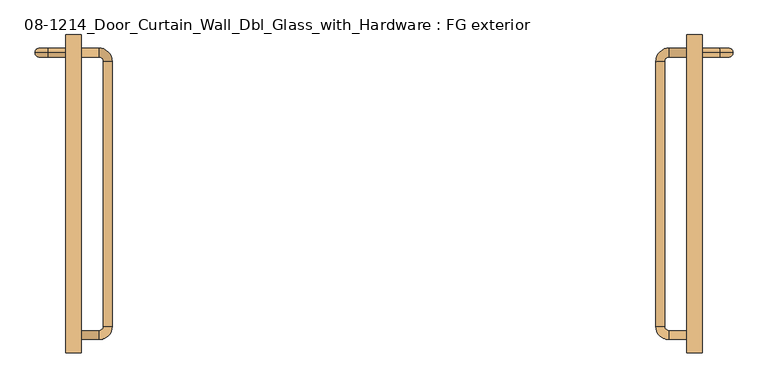
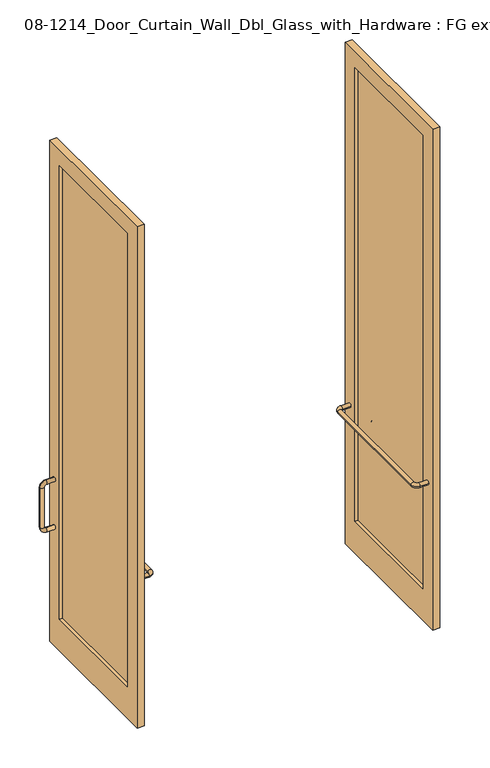
"""IFC4 building model written with IfcOpenShell, lengths in millimetres: door geometry, 08-1214_Door_Curtain_Wall_Dbl_Glass_with_Hardware : FG exterior."""

from ifc_helpers import new_model, si_unit, point, frame, origin, place, context, project, spatial, polyline, circle_curve, ellipse_curve, trimmed, outline, extrude, source, transform, mapped, element, save
from ifc_brep_helpers import plane_surface, cylinder_surface, revolved_surface, advanced_brep


def door_08_1214_door_curtain_wall_dbl_glass_with_hardware_fg_0c272a2d(model_context):
    return source(origin(), model_context, "Body", "SolidModel", [
        advanced_brep(
        [(914.4, 927.1, 749.3), (914.4, 927.1, 774.7), (965.2, 927.1, 749.3), (965.2, 927.1, 774.7), (977.9, 927.1, 787.4), (1003.3, 927.1, 787.4), (1003.3, 927.1, 1041.4), (977.9, 927.1, 1041.4), (914.4, 927.1, 1079.5), (914.4, 927.1, 1054.1), (965.2, 927.1, 1054.1), (965.2, 927.1, 1079.5)],
        [
            (0, 1, circle_curve(frame((914.4, 927.1, 762.0), z_axis=(-1.0, 0.0, 0.0), x_axis=(0.0, 0.0, 1.0)), 12.7)),
            (1, 0, circle_curve(frame((914.4, 927.1, 762.0), z_axis=(-1.0, 0.0, 0.0), x_axis=(0.0, 0.0, 1.0)), 12.7)),
            (0, 2),
            (2, 3, circle_curve(frame((965.2, 927.1, 762.0), z_axis=(-1.0, 0.0, 0.0), x_axis=(0.0, 0.0, 1.0)), 12.7)),
            (3, 1),
            (3, 2, circle_curve(frame((965.2, 927.1, 762.0), z_axis=(-1.0, 0.0, 0.0), x_axis=(0.0, 0.0, 1.0)), 12.7)),
            (4, 5, circle_curve(frame((990.6, 927.1, 787.4), z_axis=(0.0, 0.0, 1.0), x_axis=(-1.0, 0.0, 0.0)), 12.7)),
            (5, 6),
            (6, 7, circle_curve(frame((990.6, 927.1, 1041.4), z_axis=(0.0, 0.0, -1.0), x_axis=(-1.0, 0.0, 0.0)), 12.7)),
            (7, 4),
            (5, 4, circle_curve(frame((990.6, 927.1, 787.4), z_axis=(0.0, 0.0, 1.0), x_axis=(-1.0, 0.0, 0.0)), 12.7)),
            (7, 6, circle_curve(frame((990.6, 927.1, 1041.4), z_axis=(0.0, 0.0, -1.0), x_axis=(-1.0, 0.0, 0.0)), 12.7)),
            (8, 9, circle_curve(frame((914.4, 927.1, 1066.8), z_axis=(-1.0, 0.0, 0.0), x_axis=(0.0, 0.0, -1.0)), 12.7)),
            (9, 8, circle_curve(frame((914.4, 927.1, 1066.8), z_axis=(-1.0, 0.0, 0.0), x_axis=(0.0, 0.0, -1.0)), 12.7)),
            (10, 11, circle_curve(frame((965.2, 927.1, 1066.8), z_axis=(-1.0, 0.0, 0.0), x_axis=(0.0, 0.0, -1.0)), 12.7)),
            (11, 8),
            (9, 10),
            (11, 10, circle_curve(frame((965.2, 927.1, 1066.8), z_axis=(-1.0, 0.0, 0.0), x_axis=(0.0, 0.0, -1.0)), 12.7)),
            (4, 3, circle_curve(frame((965.2, 927.1, 787.4), z_axis=(0.0, 1.0, 0.0), x_axis=(0.0, 0.0, -1.0)), 12.7)),
            (2, 5, circle_curve(frame((965.2, 927.1, 787.4), z_axis=(0.0, -1.0, 0.0), x_axis=(0.0, 0.0, -1.0)), 38.1)),
            (10, 7, circle_curve(frame((965.2, 927.1, 1041.4), z_axis=(0.0, 1.0, 0.0), x_axis=(1.0, 0.0, 0.0)), 12.7)),
            (6, 11, circle_curve(frame((965.2, 927.1, 1041.4), z_axis=(0.0, -1.0, 0.0), x_axis=(1.0, 0.0, 0.0)), 38.1)),
        ],
        [
            plane_surface(frame((914.4, 927.1, 762.0), z_axis=(-1.0, 0.0, 0.0), x_axis=(0.0, -1.0, 0.0))),
            cylinder_surface(frame((914.4, 927.1, 762.0), z_axis=(-1.0, 0.0, 0.0), x_axis=(0.0, 0.0, 1.0)), 12.7),
            cylinder_surface(frame((990.6, 927.1, 787.4), z_axis=(0.0, 0.0, -1.0), x_axis=(-1.0, 0.0, 0.0)), 12.7),
            plane_surface(frame((914.4, 927.1, 1066.8), z_axis=(-1.0, 0.0, 0.0), x_axis=(0.0, -1.0, 0.0))),
            cylinder_surface(frame((965.2, 927.1, 1066.8), z_axis=(1.0, 0.0, 0.0), x_axis=(0.0, 0.0, -1.0)), 12.7),
            revolved_surface(trimmed(ellipse_curve(frame((965.2, 927.1, 762.0), z_axis=(-1.0, 0.0, 0.0), x_axis=(0.0, 0.0, 1.0)), 12.7, 12.7), [point((965.2, 927.1, 749.3))], [point((965.2, 927.1, 774.7))], True, "CARTESIAN"), (965.2, 927.1, 787.4), (0.0, -1.0, 0.0)),
            revolved_surface(trimmed(ellipse_curve(frame((965.2, 927.1, 762.0), z_axis=(-1.0, 0.0, 0.0), x_axis=(0.0, 0.0, 1.0)), 12.7, 12.7), [point((965.2, 927.1, 774.7))], [point((965.2, 927.1, 749.3))], True, "CARTESIAN"), (965.2, 927.1, 787.4), (0.0, -1.0, 0.0)),
            revolved_surface(trimmed(ellipse_curve(frame((990.6, 927.1, 1041.4), z_axis=(0.0, 0.0, -1.0), x_axis=(-1.0, 0.0, 0.0)), 12.7, 12.7), [point((1003.3, 927.1, 1041.4))], [point((977.9, 927.1, 1041.4))], True, "CARTESIAN"), (965.2, 927.1, 1041.4), (0.0, -1.0, 0.0)),
            revolved_surface(trimmed(ellipse_curve(frame((990.6, 927.1, 1041.4), z_axis=(0.0, 0.0, -1.0), x_axis=(-1.0, 0.0, 0.0)), 12.7, 12.7), [point((977.9, 927.1, 1041.4))], [point((1003.3, 927.1, 1041.4))], True, "CARTESIAN"), (965.2, 927.1, 1041.4), (0.0, -1.0, 0.0)),
        ],
        [
            (0, [[1, 2]]),
            (1, [[-1, 3, 4, 5]]),
            (1, [[-2, -5, 6, -3]]),
            (2, [[7, 8, 9, 10]]),
            (2, [[11, -10, 12, -8]]),
            (3, [[13, 14]]),
            (4, [[15, 16, -14, 17]]),
            (4, [[18, -17, -13, -16]]),
            (5, [[19, -4, 20, -7]]),
            (6, [[-20, -6, -19, -11]]),
            (7, [[21, -9, 22, -15]]),
            (8, [[-22, -12, -21, -18]]),
        ],
    ),
        advanced_brep(
        [(869.95, 101.6, 914.4), (869.95, 127.0, 914.4), (819.15, 101.6, 914.4), (819.15, 127.0, 914.4), (806.45, 139.7, 914.4), (781.05, 139.7, 914.4), (781.05, 901.7, 914.4), (806.45, 901.7, 914.4), (869.95, 939.8, 914.4), (869.95, 914.4, 914.4), (819.15, 914.4, 914.4), (819.15, 939.8, 914.4)],
        [
            (0, 1, circle_curve(frame((869.95, 114.3, 914.4), z_axis=(1.0, 0.0, 0.0), x_axis=(0.0, 1.0, 0.0)), 12.7)),
            (1, 0, circle_curve(frame((869.95, 114.3, 914.4), z_axis=(1.0, 0.0, 0.0), x_axis=(0.0, 1.0, 0.0)), 12.7)),
            (0, 2),
            (2, 3, circle_curve(frame((819.15, 114.3, 914.4), z_axis=(1.0, 0.0, 0.0), x_axis=(0.0, 1.0, 0.0)), 12.7)),
            (3, 1),
            (3, 2, circle_curve(frame((819.15, 114.3, 914.4), z_axis=(1.0, 0.0, 0.0), x_axis=(0.0, 1.0, 0.0)), 12.7)),
            (4, 5, circle_curve(frame((793.75, 139.7, 914.4), z_axis=(0.0, 1.0, 0.0), x_axis=(1.0, 0.0, 0.0)), 12.7)),
            (5, 6),
            (6, 7, circle_curve(frame((793.75, 901.7, 914.4), z_axis=(0.0, -1.0, 0.0), x_axis=(1.0, 0.0, 0.0)), 12.7)),
            (7, 4),
            (5, 4, circle_curve(frame((793.75, 139.7, 914.4), z_axis=(0.0, 1.0, 0.0), x_axis=(1.0, 0.0, 0.0)), 12.7)),
            (7, 6, circle_curve(frame((793.75, 901.7, 914.4), z_axis=(0.0, -1.0, 0.0), x_axis=(1.0, 0.0, 0.0)), 12.7)),
            (8, 9, circle_curve(frame((869.95, 927.1, 914.4), z_axis=(1.0, 0.0, 0.0), x_axis=(0.0, -1.0, 0.0)), 12.7)),
            (9, 8, circle_curve(frame((869.95, 927.1, 914.4), z_axis=(1.0, 0.0, 0.0), x_axis=(0.0, -1.0, 0.0)), 12.7)),
            (10, 11, circle_curve(frame((819.15, 927.1, 914.4), z_axis=(1.0, 0.0, 0.0), x_axis=(0.0, -1.0, 0.0)), 12.7)),
            (11, 8),
            (9, 10),
            (11, 10, circle_curve(frame((819.15, 927.1, 914.4), z_axis=(1.0, 0.0, 0.0), x_axis=(0.0, -1.0, 0.0)), 12.7)),
            (4, 3, circle_curve(frame((819.15, 139.7, 914.4), z_axis=(0.0, 0.0, 1.0), x_axis=(0.0, -1.0, 0.0)), 12.7)),
            (2, 5, circle_curve(frame((819.15, 139.7, 914.4), z_axis=(0.0, 0.0, -1.0), x_axis=(0.0, -1.0, 0.0)), 38.1)),
            (10, 7, circle_curve(frame((819.15, 901.7, 914.4), z_axis=(0.0, 0.0, 1.0), x_axis=(-1.0, 0.0, 0.0)), 12.7)),
            (6, 11, circle_curve(frame((819.15, 901.7, 914.4), z_axis=(0.0, 0.0, -1.0), x_axis=(-1.0, 0.0, 0.0)), 38.1)),
        ],
        [
            plane_surface(frame((869.95, 114.3, 914.4), z_axis=(1.0, 0.0, 0.0), x_axis=(0.0, 0.0, -1.0))),
            cylinder_surface(frame((869.95, 114.3, 914.4), z_axis=(1.0, 0.0, 0.0), x_axis=(0.0, 1.0, 0.0)), 12.7),
            cylinder_surface(frame((793.75, 139.7, 914.4), z_axis=(0.0, -1.0, 0.0), x_axis=(1.0, 0.0, 0.0)), 12.7),
            plane_surface(frame((869.95, 927.1, 914.4), z_axis=(1.0, 0.0, 0.0), x_axis=(0.0, 0.0, -1.0))),
            cylinder_surface(frame((819.15, 927.1, 914.4), z_axis=(-1.0, 0.0, 0.0), x_axis=(0.0, -1.0, 0.0)), 12.7),
            revolved_surface(trimmed(ellipse_curve(frame((819.15, 114.3, 914.4), z_axis=(1.0, 0.0, 0.0), x_axis=(0.0, 1.0, 0.0)), 12.7, 12.7), [point((819.15, 101.6, 914.4))], [point((819.15, 127.0, 914.4))], True, "CARTESIAN"), (819.15, 139.7, 914.4), (0.0, 0.0, -1.0)),
            revolved_surface(trimmed(ellipse_curve(frame((819.15, 114.3, 914.4), z_axis=(1.0, 0.0, 0.0), x_axis=(0.0, 1.0, 0.0)), 12.7, 12.7), [point((819.15, 127.0, 914.4))], [point((819.15, 101.6, 914.4))], True, "CARTESIAN"), (819.15, 139.7, 914.4), (0.0, 0.0, -1.0)),
            revolved_surface(trimmed(ellipse_curve(frame((793.75, 901.7, 914.4), z_axis=(0.0, -1.0, 0.0), x_axis=(1.0, 0.0, 0.0)), 12.7, 12.7), [point((781.05, 901.7, 914.4))], [point((806.45, 901.7, 914.4))], True, "CARTESIAN"), (819.15, 901.7, 914.4), (0.0, 0.0, -1.0)),
            revolved_surface(trimmed(ellipse_curve(frame((793.75, 901.7, 914.4), z_axis=(0.0, -1.0, 0.0), x_axis=(1.0, 0.0, 0.0)), 12.7, 12.7), [point((806.45, 901.7, 914.4))], [point((781.05, 901.7, 914.4))], True, "CARTESIAN"), (819.15, 901.7, 914.4), (0.0, 0.0, -1.0)),
        ],
        [
            (0, [[1, 2]]),
            (1, [[-1, 3, 4, 5]]),
            (1, [[-2, -5, 6, -3]]),
            (2, [[7, 8, 9, 10]]),
            (2, [[11, -10, 12, -8]]),
            (3, [[13, 14]]),
            (4, [[15, 16, -14, 17]]),
            (4, [[18, -17, -13, -16]]),
            (5, [[19, -4, 20, -7]]),
            (6, [[-20, -6, -19, -11]]),
            (7, [[21, -9, 22, -15]]),
            (8, [[-22, -12, -21, -18]]),
        ],
    ),
        extrude(outline(polyline([(895.35, 876.3), (895.35, 165.1), (889.0, 165.1), (889.0, 876.3), (895.35, 876.3)])), frame((0.0, 0.0, 203.2), z_axis=(0.0, 0.0, 1.0), x_axis=(1.0, 0.0, 0.0)), (0.0, 0.0, 1.0), 2895.6),
        extrude(outline(polyline([(63.5, 3200.4), (977.9, 3200.4), (977.9, 0.0), (63.5, 0.0), (63.5, 3200.4)]), holes=[polyline([(165.1, 3098.8), (165.1, 203.2), (876.3, 203.2), (876.3, 3098.8), (165.1, 3098.8)])]), frame((869.95, 0.0, 0.0), z_axis=(1.0, 0.0, 0.0), x_axis=(0.0, 1.0, 0.0)), (0.0, 0.0, 1.0), 44.45),
        advanced_brep(
        [(-914.4, 927.1, 749.3), (-914.4, 927.1, 774.7), (-965.2, 927.1, 774.7), (-965.2, 927.1, 749.3), (-977.9, 927.1, 787.4), (-977.9, 927.1, 1041.4), (-1003.3, 927.1, 1041.4), (-1003.3, 927.1, 787.4), (-914.4, 927.1, 1079.5), (-914.4, 927.1, 1054.1), (-965.2, 927.1, 1054.1), (-965.2, 927.1, 1079.5)],
        [
            (0, 1, circle_curve(frame((-914.4, 927.1, 762.0), z_axis=(1.0, 0.0, 0.0), x_axis=(0.0, 0.0, 1.0)), 12.7)),
            (1, 0, circle_curve(frame((-914.4, 927.1, 762.0), z_axis=(1.0, 0.0, 0.0), x_axis=(0.0, 0.0, 1.0)), 12.7)),
            (1, 2),
            (2, 3, circle_curve(frame((-965.2, 927.1, 762.0), z_axis=(1.0, 0.0, 0.0), x_axis=(0.0, 0.0, 1.0)), 12.7)),
            (3, 0),
            (3, 2, circle_curve(frame((-965.2, 927.1, 762.0), z_axis=(1.0, 0.0, 0.0), x_axis=(0.0, 0.0, 1.0)), 12.7)),
            (4, 5),
            (5, 6, circle_curve(frame((-990.6, 927.1, 1041.4), z_axis=(0.0, 0.0, -1.0), x_axis=(1.0, 0.0, 0.0)), 12.7)),
            (6, 7),
            (7, 4, circle_curve(frame((-990.6, 927.1, 787.4), z_axis=(0.0, 0.0, 1.0), x_axis=(1.0, 0.0, 0.0)), 12.7)),
            (6, 5, circle_curve(frame((-990.6, 927.1, 1041.4), z_axis=(0.0, 0.0, -1.0), x_axis=(1.0, 0.0, 0.0)), 12.7)),
            (4, 7, circle_curve(frame((-990.6, 927.1, 787.4), z_axis=(0.0, 0.0, 1.0), x_axis=(1.0, 0.0, 0.0)), 12.7)),
            (8, 9, circle_curve(frame((-914.4, 927.1, 1066.8), z_axis=(1.0, 0.0, 0.0), x_axis=(0.0, 0.0, -1.0)), 12.7)),
            (9, 8, circle_curve(frame((-914.4, 927.1, 1066.8), z_axis=(1.0, 0.0, 0.0), x_axis=(0.0, 0.0, -1.0)), 12.7)),
            (10, 9),
            (8, 11),
            (11, 10, circle_curve(frame((-965.2, 927.1, 1066.8), z_axis=(1.0, 0.0, 0.0), x_axis=(0.0, 0.0, -1.0)), 12.7)),
            (10, 11, circle_curve(frame((-965.2, 927.1, 1066.8), z_axis=(1.0, 0.0, 0.0), x_axis=(0.0, 0.0, -1.0)), 12.7)),
            (7, 3, circle_curve(frame((-965.2, 927.1, 787.4), z_axis=(0.0, -1.0, 0.0), x_axis=(0.0, 0.0, -1.0)), 38.1)),
            (2, 4, circle_curve(frame((-965.2, 927.1, 787.4), z_axis=(0.0, 1.0, 0.0), x_axis=(0.0, 0.0, -1.0)), 12.7)),
            (11, 6, circle_curve(frame((-965.2, 927.1, 1041.4), z_axis=(0.0, -1.0, 0.0), x_axis=(-1.0, 0.0, 0.0)), 38.1)),
            (5, 10, circle_curve(frame((-965.2, 927.1, 1041.4), z_axis=(0.0, 1.0, 0.0), x_axis=(-1.0, 0.0, 0.0)), 12.7)),
        ],
        [
            plane_surface(frame((-914.4, 927.1, 762.0), z_axis=(1.0, 0.0, 0.0), x_axis=(0.0, -1.0, 0.0))),
            cylinder_surface(frame((-914.4, 927.1, 762.0), z_axis=(1.0, 0.0, 0.0), x_axis=(0.0, 0.0, 1.0)), 12.7),
            cylinder_surface(frame((-990.6, 927.1, 787.4), z_axis=(0.0, 0.0, -1.0), x_axis=(1.0, 0.0, 0.0)), 12.7),
            plane_surface(frame((-914.4, 927.1, 1066.8), z_axis=(1.0, 0.0, 0.0), x_axis=(0.0, -1.0, 0.0))),
            cylinder_surface(frame((-965.2, 927.1, 1066.8), z_axis=(-1.0, 0.0, 0.0), x_axis=(0.0, 0.0, -1.0)), 12.7),
            revolved_surface(trimmed(ellipse_curve(frame((-965.2, 927.1, 762.0), z_axis=(-1.0, 0.0, 0.0), x_axis=(0.0, 0.0, 1.0)), 12.7, 12.7), [point((-965.2, 927.1, 749.3))], [point((-965.2, 927.1, 774.7))], True, "CARTESIAN"), (-965.2, 927.1, 787.4), (0.0, -1.0, 0.0)),
            revolved_surface(trimmed(ellipse_curve(frame((-965.2, 927.1, 762.0), z_axis=(-1.0, 0.0, 0.0), x_axis=(0.0, 0.0, 1.0)), 12.7, 12.7), [point((-965.2, 927.1, 774.7))], [point((-965.2, 927.1, 749.3))], True, "CARTESIAN"), (-965.2, 927.1, 787.4), (0.0, -1.0, 0.0)),
            revolved_surface(trimmed(ellipse_curve(frame((-990.6, 927.1, 1041.4), z_axis=(0.0, 0.0, 1.0), x_axis=(1.0, 0.0, 0.0)), 12.7, 12.7), [point((-1003.3, 927.1, 1041.4))], [point((-977.9, 927.1, 1041.4))], True, "CARTESIAN"), (-965.2, 927.1, 1041.4), (0.0, -1.0, 0.0)),
            revolved_surface(trimmed(ellipse_curve(frame((-990.6, 927.1, 1041.4), z_axis=(0.0, 0.0, 1.0), x_axis=(1.0, 0.0, 0.0)), 12.7, 12.7), [point((-977.9, 927.1, 1041.4))], [point((-1003.3, 927.1, 1041.4))], True, "CARTESIAN"), (-965.2, 927.1, 1041.4), (0.0, -1.0, 0.0)),
        ],
        [
            (0, [[1, 2]]),
            (1, [[3, 4, 5, -2]]),
            (1, [[-5, 6, -3, -1]]),
            (2, [[7, 8, 9, 10]]),
            (2, [[-9, 11, -7, 12]]),
            (3, [[13, 14]]),
            (4, [[15, -13, 16, 17]]),
            (4, [[-16, -14, -15, 18]]),
            (5, [[-10, 19, -4, 20]]),
            (6, [[-12, -20, -6, -19]]),
            (7, [[-17, 21, -8, 22]]),
            (8, [[-18, -22, -11, -21]]),
        ],
    ),
        advanced_brep(
        [(-869.95, 101.6, 914.4), (-869.95, 127.0, 914.4), (-819.15, 127.0, 914.4), (-819.15, 101.6, 914.4), (-806.45, 139.7, 914.4), (-806.45, 901.7, 914.4), (-781.05, 901.7, 914.4), (-781.05, 139.7, 914.4), (-869.95, 939.8, 914.4), (-869.95, 914.4, 914.4), (-819.15, 914.4, 914.4), (-819.15, 939.8, 914.4)],
        [
            (0, 1, circle_curve(frame((-869.95, 114.3, 914.4), z_axis=(-1.0, 0.0, 0.0), x_axis=(0.0, 1.0, 0.0)), 12.7)),
            (1, 0, circle_curve(frame((-869.95, 114.3, 914.4), z_axis=(-1.0, 0.0, 0.0), x_axis=(0.0, 1.0, 0.0)), 12.7)),
            (1, 2),
            (2, 3, circle_curve(frame((-819.15, 114.3, 914.4), z_axis=(-1.0, 0.0, 0.0), x_axis=(0.0, 1.0, 0.0)), 12.7)),
            (3, 0),
            (3, 2, circle_curve(frame((-819.15, 114.3, 914.4), z_axis=(-1.0, 0.0, 0.0), x_axis=(0.0, 1.0, 0.0)), 12.7)),
            (4, 5),
            (5, 6, circle_curve(frame((-793.75, 901.7, 914.4), z_axis=(0.0, -1.0, 0.0), x_axis=(-1.0, 0.0, 0.0)), 12.7)),
            (6, 7),
            (7, 4, circle_curve(frame((-793.75, 139.7, 914.4), z_axis=(0.0, 1.0, 0.0), x_axis=(-1.0, 0.0, 0.0)), 12.7)),
            (6, 5, circle_curve(frame((-793.75, 901.7, 914.4), z_axis=(0.0, -1.0, 0.0), x_axis=(-1.0, 0.0, 0.0)), 12.7)),
            (4, 7, circle_curve(frame((-793.75, 139.7, 914.4), z_axis=(0.0, 1.0, 0.0), x_axis=(-1.0, 0.0, 0.0)), 12.7)),
            (8, 9, circle_curve(frame((-869.95, 927.1, 914.4), z_axis=(-1.0, 0.0, 0.0), x_axis=(0.0, -1.0, 0.0)), 12.7)),
            (9, 8, circle_curve(frame((-869.95, 927.1, 914.4), z_axis=(-1.0, 0.0, 0.0), x_axis=(0.0, -1.0, 0.0)), 12.7)),
            (10, 9),
            (8, 11),
            (11, 10, circle_curve(frame((-819.15, 927.1, 914.4), z_axis=(-1.0, 0.0, 0.0), x_axis=(0.0, -1.0, 0.0)), 12.7)),
            (10, 11, circle_curve(frame((-819.15, 927.1, 914.4), z_axis=(-1.0, 0.0, 0.0), x_axis=(0.0, -1.0, 0.0)), 12.7)),
            (7, 3, circle_curve(frame((-819.15, 139.7, 914.4), z_axis=(0.0, 0.0, -1.0), x_axis=(0.0, -1.0, 0.0)), 38.1)),
            (2, 4, circle_curve(frame((-819.15, 139.7, 914.4), z_axis=(0.0, 0.0, 1.0), x_axis=(0.0, -1.0, 0.0)), 12.7)),
            (11, 6, circle_curve(frame((-819.15, 901.7, 914.4), z_axis=(0.0, 0.0, -1.0), x_axis=(1.0, 0.0, 0.0)), 38.1)),
            (5, 10, circle_curve(frame((-819.15, 901.7, 914.4), z_axis=(0.0, 0.0, 1.0), x_axis=(1.0, 0.0, 0.0)), 12.7)),
        ],
        [
            plane_surface(frame((-869.95, 114.3, 914.4), z_axis=(-1.0, 0.0, 0.0), x_axis=(0.0, 0.0, -1.0))),
            cylinder_surface(frame((-869.95, 114.3, 914.4), z_axis=(-1.0, 0.0, 0.0), x_axis=(0.0, 1.0, 0.0)), 12.7),
            cylinder_surface(frame((-793.75, 139.7, 914.4), z_axis=(0.0, -1.0, 0.0), x_axis=(-1.0, 0.0, 0.0)), 12.7),
            plane_surface(frame((-869.95, 927.1, 914.4), z_axis=(-1.0, 0.0, 0.0), x_axis=(0.0, 0.0, -1.0))),
            cylinder_surface(frame((-819.15, 927.1, 914.4), z_axis=(1.0, 0.0, 0.0), x_axis=(0.0, -1.0, 0.0)), 12.7),
            revolved_surface(trimmed(ellipse_curve(frame((-819.15, 114.3, 914.4), z_axis=(1.0, 0.0, 0.0), x_axis=(0.0, 1.0, 0.0)), 12.7, 12.7), [point((-819.15, 101.6, 914.4))], [point((-819.15, 127.0, 914.4))], True, "CARTESIAN"), (-819.15, 139.7, 914.4), (0.0, 0.0, -1.0)),
            revolved_surface(trimmed(ellipse_curve(frame((-819.15, 114.3, 914.4), z_axis=(1.0, 0.0, 0.0), x_axis=(0.0, 1.0, 0.0)), 12.7, 12.7), [point((-819.15, 127.0, 914.4))], [point((-819.15, 101.6, 914.4))], True, "CARTESIAN"), (-819.15, 139.7, 914.4), (0.0, 0.0, -1.0)),
            revolved_surface(trimmed(ellipse_curve(frame((-793.75, 901.7, 914.4), z_axis=(0.0, 1.0, 0.0), x_axis=(-1.0, 0.0, 0.0)), 12.7, 12.7), [point((-781.05, 901.7, 914.4))], [point((-806.45, 901.7, 914.4))], True, "CARTESIAN"), (-819.15, 901.7, 914.4), (0.0, 0.0, -1.0)),
            revolved_surface(trimmed(ellipse_curve(frame((-793.75, 901.7, 914.4), z_axis=(0.0, 1.0, 0.0), x_axis=(-1.0, 0.0, 0.0)), 12.7, 12.7), [point((-806.45, 901.7, 914.4))], [point((-781.05, 901.7, 914.4))], True, "CARTESIAN"), (-819.15, 901.7, 914.4), (0.0, 0.0, -1.0)),
        ],
        [
            (0, [[1, 2]]),
            (1, [[3, 4, 5, -2]]),
            (1, [[-5, 6, -3, -1]]),
            (2, [[7, 8, 9, 10]]),
            (2, [[-9, 11, -7, 12]]),
            (3, [[13, 14]]),
            (4, [[15, -13, 16, 17]]),
            (4, [[-16, -14, -15, 18]]),
            (5, [[-10, 19, -4, 20]]),
            (6, [[-12, -20, -6, -19]]),
            (7, [[-17, 21, -8, 22]]),
            (8, [[-18, -22, -11, -21]]),
        ],
    ),
        extrude(outline(polyline([(-895.35, 876.3), (-889.0, 876.3), (-889.0, 165.1), (-895.35, 165.1), (-895.35, 876.3)])), frame((0.0, 0.0, 203.2), z_axis=(0.0, 0.0, 1.0), x_axis=(1.0, 0.0, 0.0)), (0.0, 0.0, 1.0), 2895.6),
        extrude(outline(polyline([(977.9, 3200.4), (977.9, 0.0), (63.5, 0.0), (63.5, 3200.4), (977.9, 3200.4)]), holes=[polyline([(165.1, 203.2), (876.3, 203.2), (876.3, 3098.8), (165.1, 3098.8), (165.1, 203.2)])]), frame((-914.4, 0.0, 0.0), z_axis=(1.0, 0.0, 0.0), x_axis=(0.0, 1.0, 0.0)), (0.0, 0.0, 1.0), 44.45),
    ])


if __name__ == "__main__":
    model = new_model("IFC4")
    model_context = context("Model", 3, world=origin())
    ifc_project = project(units=[si_unit("LENGTHUNIT", "METRE", prefix="MILLI")], contexts=[model_context])
    site = spatial("IfcSite", under=ifc_project)
    building = spatial("IfcBuilding", under=site)
    placement = place(None, origin())
    door_08_1214_door_curtain_wall_dbl_glass_with_hardware_fg_shape = door_08_1214_door_curtain_wall_dbl_glass_with_hardware_fg_0c272a2d(model_context)
    element("IfcDoor", 1, ObjectType="08-1214_Door_Curtain_Wall_Dbl_Glass_with_Hardware : FG exterior", at=placement, inside=building, context=model_context, shape_type="MappedRepresentation", body=[
        mapped(door_08_1214_door_curtain_wall_dbl_glass_with_hardware_fg_shape, transform((0.0, 0.0, 0.0), x_axis=(1.0, 0.0, 0.0), y_axis=(0.0, 1.0, 0.0), z_axis=(0.0, 0.0, 1.0))),
    ])
    save(model, "model.ifc")
